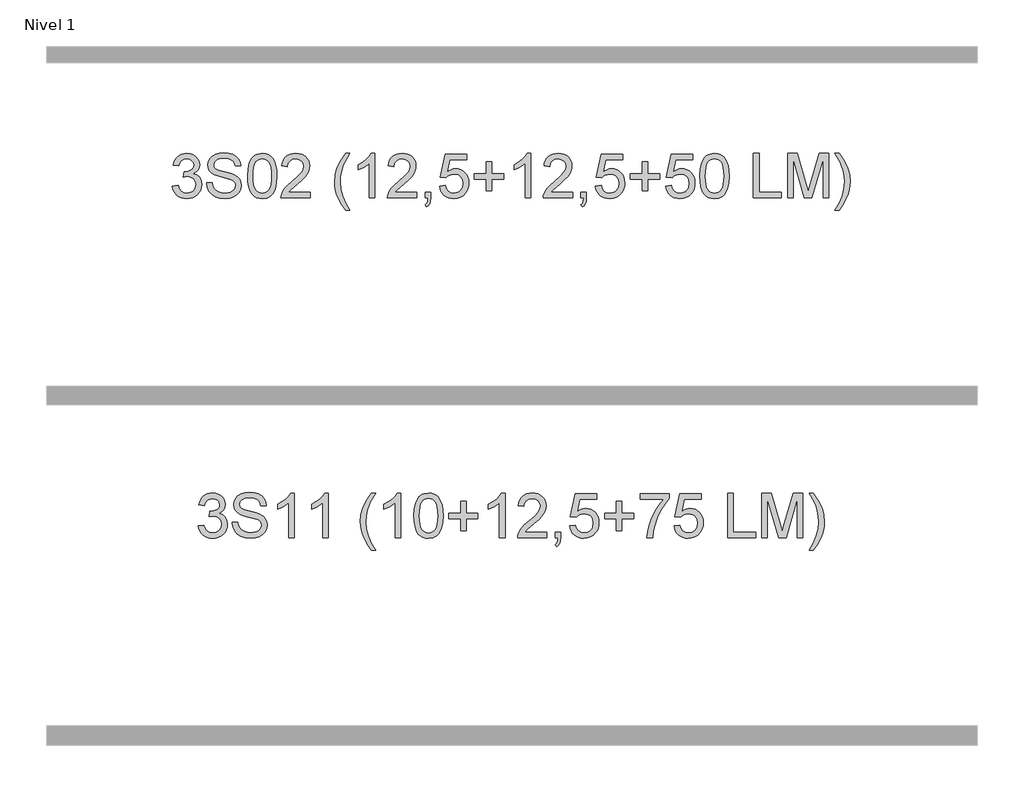
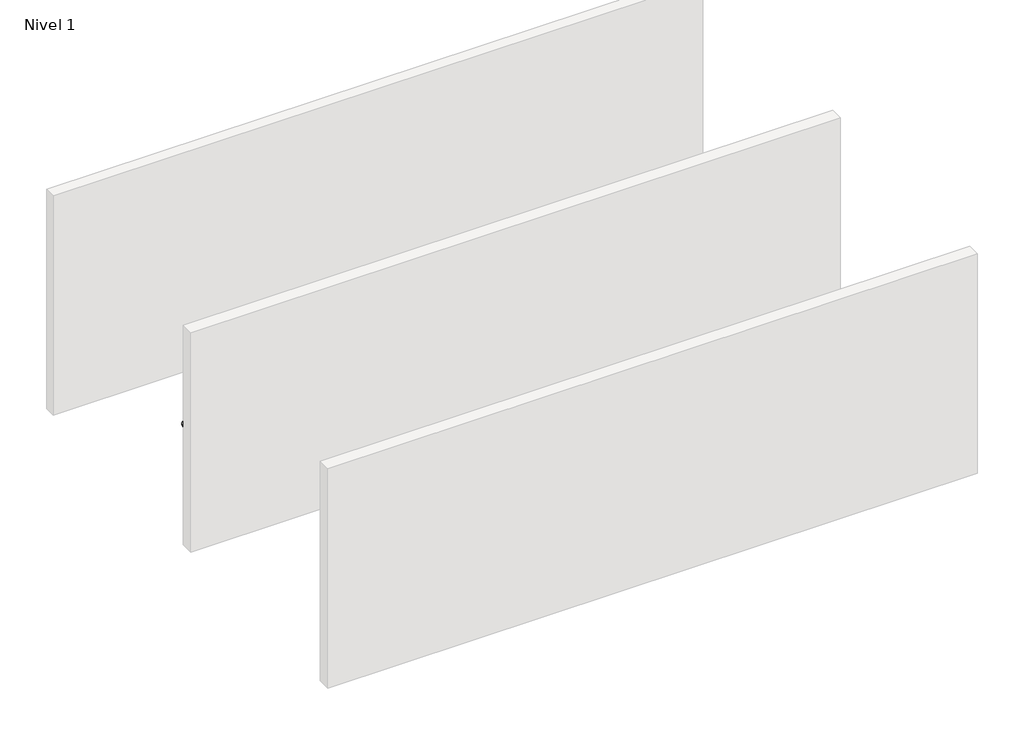
# One storey, part 4 of 13: 2 proxies.
"""IFC4 building model written with IfcOpenShell, lengths in millimetres."""

from ifc_helpers import new_model, si_unit, origin, origin_with_axes, place, context, project, spatial, polyline, outline, extrude, element, save

model = new_model("IFC4")

# Units and contexts
model_context = context("Model", 3, world=origin())
ifc_project = project(units=[si_unit("LENGTHUNIT", "METRE", prefix="MILLI")], contexts=[model_context])

# Site, building, storey
site = spatial("IfcSite", under=ifc_project)
building = spatial("IfcBuilding", under=site)
storey = spatial("IfcBuildingStorey", under=building, Name="Nivel 1", Elevation=0.0)

# Proxies
placement = place(None, origin())
element("IfcBuildingElementProxy", 1, Name="Texto de modelo 1", ObjectType="Texto de modelo 1", at=placement, inside=storey, context=model_context, shape_type="SweptSolid", body=[
    extrude(outline(polyline([(-25041.3354579, -10948.8446235), (-24991.1073028, -10942.5661041), (-24979.8623765, -10974.1303793), (-24963.3935258, -10995.4430095), (-24940.8914105, -11007.5831154), (-24911.54669, -11011.6298173), (-24877.1129352, -11006.0625364), (-24862.8391138, -10999.1034354), (-24850.5273297, -10989.3606939), (-24833.5311815, -10964.4428201), (-24827.8657988, -10934.2274455), (-24833.4821306, -10905.5449126), (-24850.331126, -10882.2825078), (-24875.837611, -10866.8682522), (-24907.4264116, -10861.730167), (-24942.6449813, -10867.2238715), (-24937.053175, -10816.9957164), (-24929.008822, -10817.5843276), (-24898.9160748, -10813.979084), (-24872.0116382, -10803.1633534), (-24860.9383902, -10794.9841103), (-24853.0289273, -10784.8673555), (-24848.2832496, -10772.8130888), (-24846.701357, -10758.8213102), (-24851.2876192, -10737.1285352), (-24865.0464058, -10719.5315131), (-24886.040205, -10707.8696539), (-24912.3315049, -10703.9823675), (-24938.6718558, -10707.9064421), (-24960.2052152, -10719.6786659), (-24975.9260391, -10739.299039), (-24984.8287834, -10766.7675613), (-25035.0569385, -10760.4890419), (-25029.1033815, -10736.5092672), (-25020.2680823, -10715.3867093), (-25008.5510408, -10697.1213683), (-24993.9522569, -10681.713244), (-24976.9315833, -10669.4811677), (-24957.9488723, -10660.7439703), (-24937.0041241, -10655.5016519), (-24914.0973385, -10653.7542124), (-24882.5208006, -10657.2000404), (-24853.5194366, -10667.5375245), (-24829.0675467, -10683.8469596), (-24811.1394308, -10705.2086408), (-24800.1397591, -10729.8199463), (-24796.4732019, -10755.8782543), (-24799.9558181, -10780.1584659), (-24810.4036668, -10802.1823347), (-24827.6695951, -10820.9443165), (-24851.6064502, -10835.4388671), (-24820.1648024, -10848.1430586), (-24796.8656094, -10869.77452), (-24782.4446351, -10899.1560286), (-24777.6376437, -10935.1103623), (-24780.0411394, -10960.5923218), (-24787.2516266, -10984.0631931), (-24799.2691051, -11005.5229762), (-24816.093575, -11024.971671), (-24836.5907335, -11041.1094278), (-24859.6262777, -11052.636397), (-24885.2002078, -11059.5525785), (-24913.3125236, -11061.8579724), (-24938.7209067, -11059.8898037), (-24961.8729469, -11053.9852977), (-24982.7686443, -11044.1444543), (-25001.4079987, -11030.3672736), (-25017.0368521, -11013.4630959), (-25028.9010465, -10994.2412617), (-25037.0005817, -10972.7017708), (-25041.3354579, -10948.8446235)])), origin_with_axes(), (0.0, 0.0, 1.0), 10.0),
    extrude(outline(polyline([(-24733.6880081, -10917.4520265), (-24683.459853, -10917.4520265), (-24677.6963684, -10945.325219), (-24667.2730452, -10967.7292325), (-24651.012661, -10985.5101956), (-24627.7379934, -10999.5142369), (-24599.2884525, -11008.6009222), (-24567.5034481, -11011.6298173), (-24539.519891, -11009.3366862), (-24515.0189501, -11002.4572929), (-24495.1655851, -10991.5679858), (-24481.1247556, -10977.2451135), (-24472.7738343, -10960.8007883), (-24469.9901939, -10943.5471227), (-24472.0748586, -10926.7349155), (-24478.3288525, -10912.2035767), (-24491.033044, -10899.8059535), (-24512.4683016, -10889.394893), (-24585.6032423, -10870.2159784), (-24633.6118426, -10857.5240495), (-24664.3299892, -10845.4452573), (-24689.3337022, -10828.547211), (-24707.0533516, -10808.0684466), (-24717.6115649, -10784.4504225), (-24721.1309693, -10758.1345972), (-24716.777699, -10728.7163003), (-24703.7178882, -10701.2845662), (-24682.2948933, -10678.0344241), (-24652.852071, -10661.1609032), (-24617.510874, -10650.8969956), (-24578.3927552, -10647.475693), (-24536.0127493, -10651.0564111), (-24498.9302442, -10661.7985654), (-24468.469615, -10679.4814266), (-24445.9552369, -10703.8842656), (-24431.7059409, -10733.4865035), (-24426.0405582, -10766.7675613), (-24476.2687133, -10766.7675613), (-24485.4902886, -10736.7974414), (-24493.8534727, -10724.9393785), (-24504.7182543, -10715.1659801), (-24534.7619505, -10702.0693811), (-24576.4307178, -10697.7038481), (-24619.0805038, -10702.0203302), (-24635.3838076, -10707.4159328), (-24648.3393852, -10714.9697764), (-24665.261957, -10734.0260637), (-24670.9028142, -10756.6630692), (-24666.9051632, -10775.9646112), (-24654.9122102, -10791.4892314), (-24626.5607711, -10805.3706453), (-24572.8990507, -10819.5463649), (-24517.5205477, -10833.0108459), (-24484.0187607, -10844.7585443), (-24455.3852787, -10862.9809658), (-24435.4092864, -10885.4708184), (-24423.6738507, -10911.9828475), (-24419.7620388, -10942.2717985), (-24424.2624619, -10973.2351997), (-24437.7637311, -11002.359191), (-24459.7140235, -11027.4242176), (-24489.5615161, -11046.2107248), (-24525.4545361, -11057.9461605), (-24565.5414108, -11061.8579724), (-24614.751759, -11057.6395922), (-24655.2555667, -11044.9844515), (-24687.5188177, -11023.8434995), (-24712.0074958, -10994.1676853), (-24727.7283197, -10958.0171479), (-24733.6880081, -10917.4520265)])), origin_with_axes(), (0.0, 0.0, 1.0), 10.0),
    extrude(outline(polyline([(-24363.2553644, -10857.9041943), (-24359.5642817, -10793.5861588), (-24348.4910336, -10742.2911459), (-24330.1459848, -10703.2343407), (-24318.2879218, -10688.0009605), (-24304.6394998, -10675.6309284), (-24289.1547335, -10666.0598651), (-24271.7876376, -10659.2233914), (-24231.4064573, -10653.7542124), (-24200.4553188, -10656.991574), (-24172.7415418, -10666.7036586), (-24149.5649761, -10682.5103217), (-24132.2254714, -10704.0314184), (-24119.1288724, -10731.0830078), (-24108.6810237, -10763.4811488), (-24101.8384186, -10804.6226186), (-24099.5575502, -10857.9041943), (-24103.2118447, -10921.8543477), (-24114.1747282, -10973.0267333), (-24132.4094124, -11012.1203266), (-24144.2398842, -11027.3996922), (-24157.8791092, -11039.8341036), (-24173.3822696, -11049.4695462), (-24190.8045478, -11056.3520052), (-24231.4064573, -11061.8579724), (-24259.0711833, -11059.4667394), (-24283.5966497, -11052.2930405), (-24304.9828563, -11040.3368757), (-24323.2298033, -11023.5982449), (-24340.7409863, -10993.3399508), (-24353.2489741, -10955.6381776), (-24360.7537668, -10910.4929255), (-24363.2553644, -10857.9041943)]), holes=[polyline([(-24313.0272093, -10857.8060924), (-24311.5556813, -10901.4706195), (-24307.1410974, -10936.8148822), (-24299.7834575, -10963.8388804), (-24289.4827616, -10982.5426142), (-24277.0238247, -10995.2682656), (-24263.1914617, -11004.3580165), (-24247.9856726, -11009.8118671), (-24231.4064573, -11011.6298173), (-24214.8272421, -11009.8057357), (-24199.6214529, -11004.3334911), (-24185.7890899, -10995.2130833), (-24173.330153, -10982.4445124), (-24163.0294571, -10963.7101217), (-24155.6718172, -10936.6922549), (-24151.2572333, -10901.3909118), (-24149.7857053, -10857.8060924), (-24151.2081824, -10815.2973278), (-24155.4756135, -10780.5753989), (-24162.5879987, -10753.6403055), (-24172.5453381, -10734.4920476), (-24184.7958085, -10721.1440625), (-24198.7875871, -10711.6097875), (-24214.5206737, -10705.8892225), (-24231.9950685, -10703.9823675), (-24248.4884446, -10705.6623619), (-24263.4367164, -10710.7023452), (-24276.8398837, -10719.1023175), (-24288.6979467, -10730.8622786), (-24299.3419991, -10751.708925), (-24306.9448936, -10779.8151094), (-24311.5066304, -10815.1808319), (-24313.0272093, -10857.8060924)])]), origin_with_axes(), (0.0, 0.0, 1.0), 10.0),
    extrude(outline(polyline([(-23798.1886198, -11005.3512979), (-23798.1886198, -11055.579453), (-24061.8864339, -11055.579453), (-24060.7827879, -11037.8965918), (-24056.4908313, -11020.9494945), (-24044.1054708, -10993.8856424), (-24025.9811512, -10967.6311307), (-23999.7634277, -10940.1503456), (-23963.0978555, -10909.4076736), (-23908.8965749, -10861.2641831), (-23876.3758065, -10825.7267824), (-23860.1154223, -10796.884834), (-23854.6952942, -10768.8277005), (-23859.808854, -10743.6768347), (-23875.1495332, -10722.7688747), (-23898.7307691, -10708.6789943), (-23928.5659989, -10703.9823675), (-23959.8972821, -10708.5686297), (-23984.2388075, -10722.3274163), (-23999.9473687, -10744.1796068), (-24005.3797595, -10773.0460807), (-24055.6079145, -10766.7675613), (-24051.2883668, -10740.838012), (-24043.4310205, -10718.1826125), (-24032.0358757, -10698.8013627), (-24017.1029324, -10682.6942627), (-23998.9755471, -10670.0329907), (-23977.9970763, -10660.989225), (-23954.1675201, -10655.5629655), (-23927.4868784, -10653.7542124), (-23900.5671134, -10655.7653006), (-23876.6087984, -10661.7985654), (-23855.6119336, -10671.8540066), (-23837.5765187, -10685.9316242), (-23823.0911652, -10702.9890861), (-23812.7444841, -10721.9840598), (-23806.5364754, -10742.9165453), (-23804.4671392, -10765.7865427), (-23806.6989566, -10789.8092369), (-23813.3944089, -10813.4149983), (-23825.2769974, -10837.4254299), (-23843.0702232, -10862.6621347), (-23871.433925, -10892.7916701), (-23915.0279415, -10931.4805933), (-23972.8099402, -10979.795762), (-23995.4714711, -11005.3512979), (-23798.1886198, -11005.3512979)])), origin_with_axes(), (0.0, 0.0, 1.0), 10.0),
    extrude(outline(polyline([(-23477.9841312, -11168.5928019), (-23516.9060463, -11113.9745884), (-23549.3041873, -11050.7724616), (-23562.0512984, -11016.7188516), (-23571.1563778, -10982.0521049), (-23576.6194255, -10946.7722216), (-23578.4404413, -10910.8792016), (-23572.9957878, -10848.4618897), (-23556.6618272, -10788.7423792), (-23524.2391607, -10721.101143), (-23477.9841312, -10653.7542124), (-23440.3130149, -10653.7542124), (-23487.3038084, -10733.3148252), (-23503.3434634, -10771.0840434), (-23515.5571456, -10810.4228914), (-23525.0485011, -10860.6755719), (-23528.2122863, -10911.1735072), (-23522.7185818, -10975.565119), (-23506.2374684, -11039.9322055), (-23478.7689461, -11104.2747664), (-23440.3130149, -11168.5928019), (-23477.9841312, -11168.5928019)])), origin_with_axes(), (0.0, 0.0, 1.0), 10.0),
    extrude(outline(polyline([(-23214.286317, -11055.579453), (-23264.5144721, -11055.579453), (-23264.5144721, -10742.4382987), (-23285.4837458, -10759.3976587), (-23312.0938768, -10776.3324932), (-23364.9707823, -10801.6918254), (-23364.9707823, -10754.2105225), (-23325.5215697, -10732.7507395), (-23291.3453323, -10707.219729), (-23264.4041075, -10680.0700378), (-23246.6599326, -10653.7542124), (-23214.286317, -10653.7542124), (-23214.286317, -11055.579453)])), origin_with_axes(), (0.0, 0.0, 1.0), 10.0),
    extrude(outline(polyline([(-22837.575154, -11005.3512979), (-22837.575154, -11055.579453), (-23101.2729681, -11055.579453), (-23100.1693221, -11037.8965918), (-23095.8773655, -11020.9494945), (-23083.492005, -10993.8856424), (-23065.3676854, -10967.6311307), (-23039.1499619, -10940.1503456), (-23002.4843897, -10909.4076736), (-22948.2831091, -10861.2641831), (-22915.7623407, -10825.7267824), (-22899.5019565, -10796.884834), (-22894.0818284, -10768.8277005), (-22899.1953882, -10743.6768347), (-22914.5360674, -10722.7688747), (-22938.1173033, -10708.6789943), (-22967.9525331, -10703.9823675), (-22999.2838163, -10708.5686297), (-23023.6253417, -10722.3274163), (-23039.3339029, -10744.1796068), (-23044.7662937, -10773.0460807), (-23094.9944487, -10766.7675613), (-23090.674901, -10740.838012), (-23082.8175547, -10718.1826125), (-23071.4224099, -10698.8013627), (-23056.4894666, -10682.6942627), (-23038.3620813, -10670.0329907), (-23017.3836105, -10660.989225), (-22993.5540543, -10655.5629655), (-22966.8734126, -10653.7542124), (-22939.9536476, -10655.7653006), (-22915.9953326, -10661.7985654), (-22894.9984677, -10671.8540066), (-22876.9630529, -10685.9316242), (-22862.4776994, -10702.9890861), (-22852.1310183, -10721.9840598), (-22845.9230096, -10742.9165453), (-22843.8536734, -10765.7865427), (-22846.0854908, -10789.8092369), (-22852.7809431, -10813.4149983), (-22864.6635316, -10837.4254299), (-22882.4567574, -10862.6621347), (-22910.8204592, -10892.7916701), (-22954.4144756, -10931.4805933), (-23012.1964744, -10979.795762), (-23034.8580053, -11005.3512979), (-22837.575154, -11005.3512979)])), origin_with_axes(), (0.0, 0.0, 1.0), 10.0),
    extrude(outline(polyline([(-22762.2329214, -11055.579453), (-22762.2329214, -11005.3512979), (-22712.0047663, -11005.3512979), (-22712.0047663, -11055.579453), (-22714.2611092, -11084.3110368), (-22721.0301379, -11106.9357795), (-22732.7042599, -11124.287547), (-22749.6758826, -11137.200205), (-22762.2329214, -11118.3646468), (-22751.3436143, -11109.2656988), (-22743.7897707, -11096.6841346), (-22739.2035085, -11079.246528), (-22737.2169457, -11055.579453), (-22762.2329214, -11055.579453)])), origin_with_axes(), (0.0, 0.0, 1.0), 10.0),
    extrude(outline(polyline([(-22630.3840143, -10948.8446235), (-22580.1558592, -10942.5661041), (-22570.9342839, -10972.7201649), (-22554.845578, -10994.3148381), (-22531.9633179, -11007.3010725), (-22502.36108, -11011.6298173), (-22483.2312162, -11010.1245668), (-22466.3576954, -11005.6088153), (-22451.7405174, -10998.0825628), (-22439.3796824, -10987.5458094), (-22429.5511018, -10974.519721), (-22422.530687, -10959.5254641), (-22416.9143552, -10923.6324441), (-22422.1750678, -10889.8363514), (-22428.7509584, -10875.9181493), (-22437.9572054, -10863.9865099), (-22449.8244654, -10854.4154467), (-22464.3833953, -10847.5789729), (-22501.5762651, -10842.1097939), (-22525.9423159, -10844.2925604), (-22545.6730535, -10850.8408599), (-22561.4306657, -10860.8717757), (-22573.8773398, -10873.5023908), (-22624.1054949, -10867.2238715), (-22580.1558592, -10660.0327318), (-22385.5217583, -10660.0327318), (-22385.5217583, -10710.2608869), (-22539.541687, -10710.2608869), (-22561.0259955, -10820.919791), (-22543.3002147, -10808.2155994), (-22525.1452382, -10799.1411769), (-22506.5610661, -10793.6965234), (-22487.5476983, -10791.8816388), (-22463.0866113, -10794.1318504), (-22440.6182185, -10800.882485), (-22420.1425197, -10812.1335427), (-22401.6595152, -10827.8850234), (-22386.3586898, -10847.1743027), (-22375.4295289, -10869.038756), (-22368.8720323, -10893.4783832), (-22366.6862002, -10920.4931844), (-22368.6543688, -10946.5147042), (-22374.5588749, -10970.7213394), (-22384.3997182, -10993.1130902), (-22398.1768989, -11013.6899565), (-22419.0480708, -11034.7634634), (-22443.4018589, -11049.8159684), (-22471.2382632, -11058.8474714), (-22502.5572837, -11061.8579724), (-22528.4776359, -11059.9235262), (-22551.8902593, -11054.1201877), (-22572.7951536, -11044.447957), (-22591.1923191, -11030.9068338), (-22606.4992758, -11014.1712688), (-22618.1335439, -10994.915712), (-22626.0951234, -10973.1401636), (-22630.3840143, -10948.8446235)])), origin_with_axes(), (0.0, 0.0, 1.0), 10.0),
    extrude(outline(polyline([(-22209.7232155, -10992.7942591), (-22209.7232155, -10886.0594296), (-22316.4580451, -10886.0594296), (-22316.4580451, -10835.8312745), (-22209.7232155, -10835.8312745), (-22209.7232155, -10729.096445), (-22159.4950605, -10729.096445), (-22159.4950605, -10835.8312745), (-22052.7602309, -10835.8312745), (-22052.7602309, -10886.0594296), (-22159.4950605, -10886.0594296), (-22159.4950605, -10992.7942591), (-22209.7232155, -10992.7942591)])), origin_with_axes(), (0.0, 0.0, 1.0), 10.0),
    extrude(outline(polyline([(-21807.8979749, -11055.579453), (-21858.12613, -11055.579453), (-21858.12613, -10742.4382987), (-21879.0954037, -10759.3976587), (-21905.7055347, -10776.3324932), (-21958.5824402, -10801.6918254), (-21958.5824402, -10754.2105225), (-21919.1332276, -10732.7507395), (-21884.9569902, -10707.219729), (-21858.0157654, -10680.0700378), (-21840.2715905, -10653.7542124), (-21807.8979749, -10653.7542124), (-21807.8979749, -11055.579453)])), origin_with_axes(), (0.0, 0.0, 1.0), 10.0),
    extrude(outline(polyline([(-21431.1868119, -11005.3512979), (-21431.1868119, -11055.579453), (-21694.884626, -11055.579453), (-21693.78098, -11037.8965918), (-21689.4890234, -11020.9494945), (-21677.1036629, -10993.8856424), (-21658.9793433, -10967.6311307), (-21632.7616198, -10940.1503456), (-21596.0960476, -10909.4076736), (-21541.894767, -10861.2641831), (-21509.3739986, -10825.7267824), (-21493.1136144, -10796.884834), (-21487.6934863, -10768.8277005), (-21492.8070461, -10743.6768347), (-21508.1477253, -10722.7688747), (-21531.7289612, -10708.6789943), (-21561.564191, -10703.9823675), (-21592.8954742, -10708.5686297), (-21617.2369996, -10722.3274163), (-21632.9455608, -10744.1796068), (-21638.3779516, -10773.0460807), (-21688.6061066, -10766.7675613), (-21684.2865589, -10740.838012), (-21676.4292126, -10718.1826125), (-21665.0340678, -10698.8013627), (-21650.1011245, -10682.6942627), (-21631.9737392, -10670.0329907), (-21610.9952684, -10660.989225), (-21587.1657122, -10655.5629655), (-21560.4850705, -10653.7542124), (-21533.5653055, -10655.7653006), (-21509.6069905, -10661.7985654), (-21488.6101257, -10671.8540066), (-21470.5747108, -10685.9316242), (-21456.0893573, -10702.9890861), (-21445.7426762, -10721.9840598), (-21439.5346675, -10742.9165453), (-21437.4653313, -10765.7865427), (-21439.6971487, -10789.8092369), (-21446.392601, -10813.4149983), (-21458.2751895, -10837.4254299), (-21476.0684153, -10862.6621347), (-21504.4321171, -10892.7916701), (-21548.0261336, -10931.4805933), (-21605.8081323, -10979.795762), (-21628.4696632, -11005.3512979), (-21431.1868119, -11005.3512979)])), origin_with_axes(), (0.0, 0.0, 1.0), 10.0),
    extrude(outline(polyline([(-21355.8445793, -11055.579453), (-21355.8445793, -11005.3512979), (-21305.6164242, -11005.3512979), (-21305.6164242, -11055.579453), (-21307.8727671, -11084.3110368), (-21314.6417958, -11106.9357795), (-21326.3159178, -11124.287547), (-21343.2875405, -11137.200205), (-21355.8445793, -11118.3646468), (-21344.9552722, -11109.2656988), (-21337.4014286, -11096.6841346), (-21332.8151664, -11079.246528), (-21330.8286036, -11055.579453), (-21355.8445793, -11055.579453)])), origin_with_axes(), (0.0, 0.0, 1.0), 10.0),
    extrude(outline(polyline([(-21223.9956722, -10948.8446235), (-21173.7675171, -10942.5661041), (-21164.5459418, -10972.7201649), (-21148.4572359, -10994.3148381), (-21125.5749758, -11007.3010725), (-21095.9727379, -11011.6298173), (-21076.8428741, -11010.1245668), (-21059.9693533, -11005.6088153), (-21045.3521753, -10998.0825628), (-21032.9913403, -10987.5458094), (-21023.1627597, -10974.519721), (-21016.1423449, -10959.5254641), (-21010.5260131, -10923.6324441), (-21015.7867257, -10889.8363514), (-21022.3626163, -10875.9181493), (-21031.5688633, -10863.9865099), (-21043.4361233, -10854.4154467), (-21057.9950532, -10847.5789729), (-21095.187923, -10842.1097939), (-21119.5539738, -10844.2925604), (-21139.2847114, -10850.8408599), (-21155.0423236, -10860.8717757), (-21167.4889977, -10873.5023908), (-21217.7171528, -10867.2238715), (-21173.7675171, -10660.0327318), (-20979.1334162, -10660.0327318), (-20979.1334162, -10710.2608869), (-21133.1533449, -10710.2608869), (-21154.6376534, -10820.919791), (-21136.9118726, -10808.2155994), (-21118.7568961, -10799.1411769), (-21100.172724, -10793.6965234), (-21081.1593562, -10791.8816388), (-21056.6982692, -10794.1318504), (-21034.2298764, -10800.882485), (-21013.7541776, -10812.1335427), (-20995.2711731, -10827.8850234), (-20979.9703478, -10847.1743027), (-20969.0411868, -10869.038756), (-20962.4836902, -10893.4783832), (-20960.2978581, -10920.4931844), (-20962.2660267, -10946.5147042), (-20968.1705328, -10970.7213394), (-20978.0113761, -10993.1130902), (-20991.7885568, -11013.6899565), (-21012.6597287, -11034.7634634), (-21037.0135168, -11049.8159684), (-21064.8499211, -11058.8474714), (-21096.1689416, -11061.8579724), (-21122.0892939, -11059.9235262), (-21145.5019172, -11054.1201877), (-21166.4068115, -11044.447957), (-21184.803977, -11030.9068338), (-21200.1109337, -11014.1712688), (-21211.7452018, -10994.915712), (-21219.7067813, -10973.1401636), (-21223.9956722, -10948.8446235)])), origin_with_axes(), (0.0, 0.0, 1.0), 10.0),
    extrude(outline(polyline([(-20803.3348735, -10992.7942591), (-20803.3348735, -10886.0594296), (-20910.069703, -10886.0594296), (-20910.069703, -10835.8312745), (-20803.3348735, -10835.8312745), (-20803.3348735, -10729.096445), (-20753.1067184, -10729.096445), (-20753.1067184, -10835.8312745), (-20646.3718888, -10835.8312745), (-20646.3718888, -10886.0594296), (-20753.1067184, -10886.0594296), (-20753.1067184, -10992.7942591), (-20803.3348735, -10992.7942591)])), origin_with_axes(), (0.0, 0.0, 1.0), 10.0),
    extrude(outline(polyline([(-20589.8652144, -10948.8446235), (-20539.6370593, -10942.5661041), (-20530.415484, -10972.7201649), (-20514.326778, -10994.3148381), (-20491.4445179, -11007.3010725), (-20461.8422801, -11011.6298173), (-20442.7124163, -11010.1245668), (-20425.8388955, -11005.6088153), (-20411.2217175, -10998.0825628), (-20398.8608825, -10987.5458094), (-20389.0323018, -10974.519721), (-20382.0118871, -10959.5254641), (-20376.3955553, -10923.6324441), (-20381.6562678, -10889.8363514), (-20388.2321585, -10875.9181493), (-20397.4384054, -10863.9865099), (-20409.3056655, -10854.4154467), (-20423.8645954, -10847.5789729), (-20461.0574651, -10842.1097939), (-20485.423516, -10844.2925604), (-20505.1542536, -10850.8408599), (-20520.9118658, -10860.8717757), (-20533.3585399, -10873.5023908), (-20583.586695, -10867.2238715), (-20539.6370593, -10660.0327318), (-20345.0029584, -10660.0327318), (-20345.0029584, -10710.2608869), (-20499.022887, -10710.2608869), (-20520.5071956, -10820.919791), (-20502.7814148, -10808.2155994), (-20484.6264383, -10799.1411769), (-20466.0422662, -10793.6965234), (-20447.0288984, -10791.8816388), (-20422.5678114, -10794.1318504), (-20400.0994185, -10800.882485), (-20379.6237198, -10812.1335427), (-20361.1407152, -10827.8850234), (-20345.8398899, -10847.1743027), (-20334.910729, -10869.038756), (-20328.3532324, -10893.4783832), (-20326.1674002, -10920.4931844), (-20328.1355689, -10946.5147042), (-20334.0400749, -10970.7213394), (-20343.8809183, -10993.1130902), (-20357.658099, -11013.6899565), (-20378.5292709, -11034.7634634), (-20402.883059, -11049.8159684), (-20430.7194633, -11058.8474714), (-20462.0384838, -11061.8579724), (-20487.958836, -11059.9235262), (-20511.3714593, -11054.1201877), (-20532.2763537, -11044.447957), (-20550.6735192, -11030.9068338), (-20565.9804758, -11014.1712688), (-20577.6147439, -10994.915712), (-20585.5763235, -10973.1401636), (-20589.8652144, -10948.8446235)])), origin_with_axes(), (0.0, 0.0, 1.0), 10.0),
    extrude(outline(polyline([(-20282.2177646, -10857.9041943), (-20278.5266819, -10793.5861588), (-20267.4534338, -10742.2911459), (-20249.108385, -10703.2343407), (-20237.250322, -10688.0009605), (-20223.6019, -10675.6309284), (-20208.1171337, -10666.0598651), (-20190.7500378, -10659.2233914), (-20150.3688575, -10653.7542124), (-20119.417719, -10656.991574), (-20091.703942, -10666.7036586), (-20068.5273763, -10682.5103217), (-20051.1878716, -10704.0314184), (-20038.0912726, -10731.0830078), (-20027.6434239, -10763.4811488), (-20020.8008188, -10804.6226186), (-20018.5199504, -10857.9041943), (-20022.1742449, -10921.8543477), (-20033.1371283, -10973.0267333), (-20051.3718126, -11012.1203266), (-20063.2022844, -11027.3996922), (-20076.8415094, -11039.8341036), (-20092.3446698, -11049.4695462), (-20109.7669479, -11056.3520052), (-20150.3688575, -11061.8579724), (-20178.0335835, -11059.4667394), (-20202.5590499, -11052.2930405), (-20223.9452565, -11040.3368757), (-20242.1922035, -11023.5982449), (-20259.7033864, -10993.3399508), (-20272.2113743, -10955.6381776), (-20279.716167, -10910.4929255), (-20282.2177646, -10857.9041943)]), holes=[polyline([(-20231.9896095, -10857.8060924), (-20230.5180815, -10901.4706195), (-20226.1034976, -10936.8148822), (-20218.7458576, -10963.8388804), (-20208.4451618, -10982.5426142), (-20195.9862249, -10995.2682656), (-20182.1538619, -11004.3580165), (-20166.9480727, -11009.8118671), (-20150.3688575, -11011.6298173), (-20133.7896422, -11009.8057357), (-20118.5838531, -11004.3334911), (-20104.7514901, -10995.2130833), (-20092.2925532, -10982.4445124), (-20081.9918573, -10963.7101217), (-20074.6342174, -10936.6922549), (-20070.2196335, -10901.3909118), (-20068.7481055, -10857.8060924), (-20070.1705825, -10815.2973278), (-20074.4380137, -10780.5753989), (-20081.5503989, -10753.6403055), (-20091.5077383, -10734.4920476), (-20103.7582087, -10721.1440625), (-20117.7499872, -10711.6097875), (-20133.4830739, -10705.8892225), (-20150.9574687, -10703.9823675), (-20167.4508448, -10705.6623619), (-20182.3991165, -10710.7023452), (-20195.8022839, -10719.1023175), (-20207.6603469, -10730.8622786), (-20218.3043993, -10751.708925), (-20225.9072938, -10779.8151094), (-20230.4690306, -10815.1808319), (-20231.9896095, -10857.8060924)])]), origin_with_axes(), (0.0, 0.0, 1.0), 10.0),
    extrude(outline(polyline([(-19798.771772, -11055.579453), (-19798.771772, -10653.7542124), (-19748.5436169, -10653.7542124), (-19748.5436169, -11005.3512979), (-19547.6309966, -11005.3512979), (-19547.6309966, -11055.579453), (-19798.771772, -11055.579453)])), origin_with_axes(), (0.0, 0.0, 1.0), 10.0),
    extrude(outline(polyline([(-19491.1243221, -11055.579453), (-19491.1243221, -10653.7542124), (-19404.6965787, -10653.7542124), (-19322.4872155, -10936.9742977), (-19305.9080003, -10996.1297226), (-19287.9553589, -10932.0692045), (-19207.1194218, -10653.7542124), (-19120.6916784, -10653.7542124), (-19120.6916784, -11055.579453), (-19170.9198335, -11055.579453), (-19170.9198335, -10703.9823675), (-19271.866653, -11055.579453), (-19339.9493476, -11055.579453), (-19440.896167, -10703.9823675), (-19440.896167, -11055.579453), (-19491.1243221, -11055.579453)])), origin_with_axes(), (0.0, 0.0, 1.0), 10.0),
    extrude(outline(polyline([(-19026.5138877, -11168.5928019), (-19064.185004, -11168.5928019), (-19025.7290728, -11104.2747664), (-18998.2605505, -11039.9322055), (-18981.7794371, -10975.565119), (-18976.2857326, -10911.1735072), (-18979.4495178, -10861.0434539), (-18988.9408732, -10811.3058082), (-19000.9338263, -10771.8933838), (-19016.8999049, -10734.0996401), (-19064.185004, -10653.7542124), (-19026.5138877, -10653.7542124), (-18980.2588582, -10721.101143), (-18947.8361916, -10788.7423792), (-18931.5022311, -10848.4618897), (-18926.0575775, -10910.8792016), (-18927.8877905, -10946.7722216), (-18933.3784292, -10982.0521049), (-18942.5294939, -11016.7188516), (-18955.3409843, -11050.7724616), (-18987.7759136, -11113.9745884), (-19026.5138877, -11168.5928019)])), origin_with_axes(), (0.0, 0.0, 1.0), 10.0),
])
element("IfcBuildingElementProxy", 2, Name="Texto de modelo 1", ObjectType="Texto de modelo 1", at=placement, inside=storey, context=model_context, shape_type="SweptSolid", body=[
    extrude(outline(polyline([(-24809.0302407, -14013.8446235), (-24758.8020856, -14007.5661041), (-24747.5571593, -14039.1303793), (-24731.0883086, -14060.4430095), (-24708.5861933, -14072.5831154), (-24679.2414728, -14076.6298173), (-24644.807718, -14071.0625364), (-24630.5338966, -14064.1034354), (-24618.2221125, -14054.3606939), (-24601.2259643, -14029.4428201), (-24595.5605816, -13999.2274455), (-24601.1769134, -13970.5449126), (-24618.0259088, -13947.2825078), (-24643.5323938, -13931.8682522), (-24675.1211944, -13926.730167), (-24710.3397641, -13932.2238715), (-24704.7479578, -13881.9957164), (-24696.7036048, -13882.5843276), (-24666.6108576, -13878.979084), (-24639.706421, -13868.1633534), (-24628.633173, -13859.9841103), (-24620.7237101, -13849.8673555), (-24615.9780323, -13837.8130888), (-24614.3961398, -13823.8213102), (-24618.982402, -13802.1285352), (-24632.7411886, -13784.5315131), (-24653.7349878, -13772.8696539), (-24680.0262877, -13768.9823675), (-24706.3666385, -13772.9064421), (-24727.899998, -13784.6786659), (-24743.6208219, -13804.299039), (-24752.5235662, -13831.7675613), (-24802.7517213, -13825.4890419), (-24796.7981643, -13801.5092672), (-24787.9628651, -13780.3867093), (-24776.2458235, -13762.1213683), (-24761.6470397, -13746.713244), (-24744.626366, -13734.4811677), (-24725.6436551, -13725.7439703), (-24704.6989068, -13720.5016519), (-24681.7921213, -13718.7542124), (-24650.2155833, -13722.2000404), (-24621.2142194, -13732.5375245), (-24596.7623294, -13748.8469596), (-24578.8342136, -13770.2086408), (-24567.8345419, -13794.8199463), (-24564.1679847, -13820.8782543), (-24567.6506009, -13845.1584659), (-24578.0984496, -13867.1823347), (-24595.3643779, -13885.9443165), (-24619.301233, -13900.4388671), (-24587.8595852, -13913.1430586), (-24564.5603921, -13934.77452), (-24550.1394179, -13964.1560286), (-24545.3324265, -14000.1103623), (-24547.7359222, -14025.5923218), (-24554.9464093, -14049.0631931), (-24566.9638878, -14070.5229762), (-24583.7883578, -14089.971671), (-24604.2855163, -14106.1094278), (-24627.3210605, -14117.636397), (-24652.8949905, -14124.5525785), (-24681.0073063, -14126.8579724), (-24706.4156895, -14124.8898037), (-24729.5677297, -14118.9852977), (-24750.463427, -14109.1444543), (-24769.1027815, -14095.3672736), (-24784.7316349, -14078.4630959), (-24796.5958292, -14059.2412617), (-24804.6953645, -14037.7017708), (-24809.0302407, -14013.8446235)])), origin_with_axes(), (0.0, 0.0, 1.0), 10.0),
    extrude(outline(polyline([(-24501.3827908, -13982.4520265), (-24451.1546358, -13982.4520265), (-24445.3911512, -14010.325219), (-24434.967828, -14032.7292325), (-24418.7074438, -14050.5101956), (-24395.4327762, -14064.5142369), (-24366.9832353, -14073.6009222), (-24335.1982309, -14076.6298173), (-24307.2146738, -14074.3366862), (-24282.7137329, -14067.4572929), (-24262.8603679, -14056.5679858), (-24248.8195384, -14042.2451135), (-24240.4686171, -14025.8007883), (-24237.6849767, -14008.5471227), (-24239.7696413, -13991.7349155), (-24246.0236352, -13977.2035767), (-24258.7278268, -13964.8059535), (-24280.1630844, -13954.394893), (-24353.298025, -13935.2159784), (-24401.3066254, -13922.5240495), (-24432.024772, -13910.4452573), (-24457.0284849, -13893.547211), (-24474.7481344, -13873.0684466), (-24485.3063476, -13849.4504225), (-24488.8257521, -13823.1345972), (-24484.4724818, -13793.7163003), (-24471.412671, -13766.2845662), (-24449.9896761, -13743.0344241), (-24420.5468538, -13726.1609032), (-24385.2056568, -13715.8969956), (-24346.0875379, -13712.475693), (-24303.7075321, -13716.0564111), (-24266.625027, -13726.7985654), (-24236.1643978, -13744.4814266), (-24213.6500197, -13768.8842656), (-24199.4007237, -13798.4865035), (-24193.735341, -13831.7675613), (-24243.9634961, -13831.7675613), (-24253.1850714, -13801.7974414), (-24261.5482554, -13789.9393785), (-24272.413037, -13780.1659801), (-24302.4567333, -13767.0693811), (-24344.1255006, -13762.7038481), (-24386.7752866, -13767.0203302), (-24403.0785904, -13772.4159328), (-24416.034168, -13779.9697764), (-24432.9567397, -13799.0260637), (-24438.597597, -13821.6630692), (-24434.599946, -13840.9646112), (-24422.6069929, -13856.4892314), (-24394.2555538, -13870.3706453), (-24340.5938335, -13884.5463649), (-24285.2153305, -13898.0108459), (-24251.7135434, -13909.7585443), (-24223.0800615, -13927.9809658), (-24203.1040691, -13950.4708184), (-24191.3686335, -13976.9828475), (-24187.4568216, -14007.2717985), (-24191.9572447, -14038.2351997), (-24205.4585139, -14067.359191), (-24227.4088063, -14092.4242176), (-24257.2562988, -14111.2107248), (-24293.1493188, -14122.9461605), (-24333.2361936, -14126.8579724), (-24382.4465418, -14122.6395922), (-24422.9503495, -14109.9844515), (-24455.2136004, -14088.8434995), (-24479.7022786, -14059.1676853), (-24495.4231025, -14023.0171479), (-24501.3827908, -13982.4520265)])), origin_with_axes(), (0.0, 0.0, 1.0), 10.0),
    extrude(outline(polyline([(-23942.5945656, -14120.579453), (-23992.8227207, -14120.579453), (-23992.8227207, -13807.4382987), (-24013.7919944, -13824.3976587), (-24040.4021254, -13841.3324932), (-24093.2790309, -13866.6918254), (-24093.2790309, -13819.2105225), (-24053.8298182, -13797.7507395), (-24019.6535809, -13772.219729), (-23992.7123561, -13745.0700378), (-23974.9681812, -13718.7542124), (-23942.5945656, -13718.7542124), (-23942.5945656, -14120.579453)])), origin_with_axes(), (0.0, 0.0, 1.0), 10.0),
    extrude(outline(polyline([(-23634.9471158, -14120.579453), (-23685.1752709, -14120.579453), (-23685.1752709, -13807.4382987), (-23706.1445446, -13824.3976587), (-23732.7546756, -13841.3324932), (-23785.631581, -13866.6918254), (-23785.631581, -13819.2105225), (-23746.1823684, -13797.7507395), (-23712.006131, -13772.219729), (-23685.0649063, -13745.0700378), (-23667.3207314, -13718.7542124), (-23634.9471158, -13718.7542124), (-23634.9471158, -14120.579453)])), origin_with_axes(), (0.0, 0.0, 1.0), 10.0),
    extrude(outline(polyline([(-23245.678914, -14233.5928019), (-23284.6008291, -14178.9745884), (-23316.9989701, -14115.7724616), (-23329.7460812, -14081.7188516), (-23338.8511606, -14047.0521049), (-23344.3142082, -14011.7722216), (-23346.1352241, -13975.8792016), (-23340.6905706, -13913.4618897), (-23324.35661, -13853.7423792), (-23291.9339435, -13786.101143), (-23245.678914, -13718.7542124), (-23208.0077977, -13718.7542124), (-23254.9985912, -13798.3148252), (-23271.0382462, -13836.0840434), (-23283.2519284, -13875.4228914), (-23292.7432839, -13925.6755719), (-23295.907069, -13976.1735072), (-23290.4133646, -14040.565119), (-23273.9322512, -14104.9322055), (-23246.4637289, -14169.2747664), (-23208.0077977, -14233.5928019), (-23245.678914, -14233.5928019)])), origin_with_axes(), (0.0, 0.0, 1.0), 10.0),
    extrude(outline(polyline([(-22981.9810998, -14120.579453), (-23032.2092549, -14120.579453), (-23032.2092549, -13807.4382987), (-23053.1785286, -13824.3976587), (-23079.7886596, -13841.3324932), (-23132.665565, -13866.6918254), (-23132.665565, -13819.2105225), (-23093.2163524, -13797.7507395), (-23059.0401151, -13772.219729), (-23032.0988903, -13745.0700378), (-23014.3547154, -13718.7542124), (-22981.9810998, -13718.7542124), (-22981.9810998, -14120.579453)])), origin_with_axes(), (0.0, 0.0, 1.0), 10.0),
    extrude(outline(polyline([(-22862.6892315, -13922.9041943), (-22858.9981488, -13858.5861588), (-22847.9249008, -13807.2911459), (-22829.579852, -13768.2343407), (-22817.721789, -13753.0009605), (-22804.073367, -13740.6309284), (-22788.5886006, -13731.0598651), (-22771.2215048, -13724.2233914), (-22730.8403244, -13718.7542124), (-22699.8891859, -13721.991574), (-22672.1754089, -13731.7036586), (-22648.9988433, -13747.5103217), (-22631.6593385, -13769.0314184), (-22618.5627395, -13796.0830078), (-22608.1148909, -13828.4811488), (-22601.2722857, -13869.6226186), (-22598.9914174, -13922.9041943), (-22602.6457119, -13986.8543477), (-22613.6085953, -14038.0267333), (-22631.8432795, -14077.1203266), (-22643.6737514, -14092.3996922), (-22657.3129763, -14104.8341036), (-22672.8161368, -14114.4695462), (-22690.2384149, -14121.3520052), (-22730.8403244, -14126.8579724), (-22758.5050505, -14124.4667394), (-22783.0305168, -14117.2930405), (-22804.4167235, -14105.3368757), (-22822.6636704, -14088.5982449), (-22840.1748534, -14058.3399508), (-22852.6828412, -14020.6381776), (-22860.187634, -13975.4929255), (-22862.6892315, -13922.9041943)]), holes=[polyline([(-22812.4610764, -13922.8060924), (-22810.9895485, -13966.4706195), (-22806.5749645, -14001.8148822), (-22799.2173246, -14028.8388804), (-22788.9166288, -14047.5426142), (-22776.4576918, -14060.2682656), (-22762.6253288, -14069.3580165), (-22747.4195397, -14074.8118671), (-22730.8403244, -14076.6298173), (-22714.2611092, -14074.8057357), (-22699.0553201, -14069.3334911), (-22685.222957, -14060.2130833), (-22672.7640201, -14047.4445124), (-22662.4633243, -14028.7101217), (-22655.1056844, -14001.6922549), (-22650.6911004, -13966.3909118), (-22649.2195725, -13922.8060924), (-22650.6420495, -13880.2973278), (-22654.9094806, -13845.5753989), (-22662.0218659, -13818.6403055), (-22671.9792052, -13799.4920476), (-22684.2296757, -13786.1440625), (-22698.2214542, -13776.6097875), (-22713.9545409, -13770.8892225), (-22731.4289356, -13768.9823675), (-22747.9223118, -13770.6623619), (-22762.8705835, -13775.7023452), (-22776.2737509, -13784.1023175), (-22788.1318138, -13795.8622786), (-22798.7758662, -13816.708925), (-22806.3787608, -13844.8151094), (-22810.9404975, -13880.1808319), (-22812.4610764, -13922.8060924)])]), origin_with_axes(), (0.0, 0.0, 1.0), 10.0),
    extrude(outline(polyline([(-22442.0284328, -14057.7942591), (-22442.0284328, -13951.0594296), (-22548.7632623, -13951.0594296), (-22548.7632623, -13900.8312745), (-22442.0284328, -13900.8312745), (-22442.0284328, -13794.096445), (-22391.8002777, -13794.096445), (-22391.8002777, -13900.8312745), (-22285.0654482, -13900.8312745), (-22285.0654482, -13951.0594296), (-22391.8002777, -13951.0594296), (-22391.8002777, -14057.7942591), (-22442.0284328, -14057.7942591)])), origin_with_axes(), (0.0, 0.0, 1.0), 10.0),
    extrude(outline(polyline([(-22040.2031922, -14120.579453), (-22090.4313472, -14120.579453), (-22090.4313472, -13807.4382987), (-22111.400621, -13824.3976587), (-22138.010752, -13841.3324932), (-22190.8876574, -13866.6918254), (-22190.8876574, -13819.2105225), (-22151.4384448, -13797.7507395), (-22117.2622074, -13772.219729), (-22090.3209826, -13745.0700378), (-22072.5768077, -13718.7542124), (-22040.2031922, -13718.7542124), (-22040.2031922, -14120.579453)])), origin_with_axes(), (0.0, 0.0, 1.0), 10.0),
    extrude(outline(polyline([(-21663.4920291, -14070.3512979), (-21663.4920291, -14120.579453), (-21927.1898432, -14120.579453), (-21926.0861973, -14102.8965918), (-21921.7942407, -14085.9494945), (-21909.4088801, -14058.8856424), (-21891.2845605, -14032.6311307), (-21865.066837, -14005.1503456), (-21828.4012648, -13974.4076736), (-21774.1999842, -13926.2641831), (-21741.6792158, -13890.7267824), (-21725.4188316, -13861.884834), (-21719.9987036, -13833.8277005), (-21725.1122633, -13808.6768347), (-21740.4529425, -13787.7688747), (-21764.0341784, -13773.6789943), (-21793.8694082, -13768.9823675), (-21825.2006915, -13773.5686297), (-21849.5422168, -13787.3274163), (-21865.250778, -13809.1796068), (-21870.6831688, -13838.0460807), (-21920.9113239, -13831.7675613), (-21916.5917761, -13805.838012), (-21908.7344298, -13783.1826125), (-21897.339285, -13763.8013627), (-21882.4063417, -13747.6942627), (-21864.2789564, -13735.0329907), (-21843.3004856, -13725.989225), (-21819.4709294, -13720.5629655), (-21792.7902877, -13718.7542124), (-21765.8705227, -13720.7653006), (-21741.9122077, -13726.7985654), (-21720.9153429, -13736.8540066), (-21702.8799281, -13750.9316242), (-21688.3945745, -13767.9890861), (-21678.0478934, -13786.9840598), (-21671.8398847, -13807.9165453), (-21669.7705485, -13830.7865427), (-21672.0023659, -13854.8092369), (-21678.6978182, -13878.4149983), (-21690.5804067, -13902.4254299), (-21708.3736325, -13927.6621347), (-21736.7373343, -13957.7916701), (-21780.3313508, -13996.4805933), (-21838.1133495, -14044.795762), (-21860.7748804, -14070.3512979), (-21663.4920291, -14070.3512979)])), origin_with_axes(), (0.0, 0.0, 1.0), 10.0),
    extrude(outline(polyline([(-21588.1497965, -14120.579453), (-21588.1497965, -14070.3512979), (-21537.9216414, -14070.3512979), (-21537.9216414, -14120.579453), (-21540.1779843, -14149.3110368), (-21546.947013, -14171.9357795), (-21558.621135, -14189.287547), (-21575.5927577, -14202.200205), (-21588.1497965, -14183.3646468), (-21577.2604894, -14174.2656988), (-21569.7066458, -14161.6841346), (-21565.1203836, -14144.246528), (-21563.1338208, -14120.579453), (-21588.1497965, -14120.579453)])), origin_with_axes(), (0.0, 0.0, 1.0), 10.0),
    extrude(outline(polyline([(-21456.3008894, -14013.8446235), (-21406.0727343, -14007.5661041), (-21396.851159, -14037.7201649), (-21380.7624531, -14059.3148381), (-21357.880193, -14072.3010725), (-21328.2779551, -14076.6298173), (-21309.1480914, -14075.1245668), (-21292.2745705, -14070.6088153), (-21277.6573926, -14063.0825628), (-21265.2965575, -14052.5458094), (-21255.4679769, -14039.519721), (-21248.4475621, -14024.5254641), (-21242.8312304, -13988.6324441), (-21248.0919429, -13954.8363514), (-21254.6678336, -13940.9181493), (-21263.8740805, -13928.9865099), (-21275.7413405, -13919.4154467), (-21290.3002705, -13912.5789729), (-21327.4931402, -13907.1097939), (-21351.859191, -13909.2925604), (-21371.5899287, -13915.8408599), (-21387.3475408, -13925.8717757), (-21399.794215, -13938.5023908), (-21450.02237, -13932.2238715), (-21406.0727343, -13725.0327318), (-21211.4386334, -13725.0327318), (-21211.4386334, -13775.2608869), (-21365.4585621, -13775.2608869), (-21386.9428706, -13885.919791), (-21369.2170898, -13873.2155994), (-21351.0621133, -13864.1411769), (-21332.4779412, -13858.6965234), (-21313.4645734, -13856.8816388), (-21289.0034864, -13859.1318504), (-21266.5350936, -13865.882485), (-21246.0593949, -13877.1335427), (-21227.5763903, -13892.8850234), (-21212.275565, -13912.1743027), (-21201.346404, -13934.038756), (-21194.7889075, -13958.4783832), (-21192.6030753, -13985.4931844), (-21194.571244, -14011.5147042), (-21200.47575, -14035.7213394), (-21210.3165933, -14058.1130902), (-21224.0937741, -14078.6899565), (-21244.9649459, -14099.7634634), (-21269.318734, -14114.8159684), (-21297.1551383, -14123.8474714), (-21328.4741588, -14126.8579724), (-21354.3945111, -14124.9235262), (-21377.8071344, -14119.1201877), (-21398.7120288, -14109.447957), (-21417.1091942, -14095.9068338), (-21432.4161509, -14079.1712688), (-21444.050419, -14059.915712), (-21452.0119985, -14038.1401636), (-21456.3008894, -14013.8446235)])), origin_with_axes(), (0.0, 0.0, 1.0), 10.0),
    extrude(outline(polyline([(-21035.6400907, -14057.7942591), (-21035.6400907, -13951.0594296), (-21142.3749202, -13951.0594296), (-21142.3749202, -13900.8312745), (-21035.6400907, -13900.8312745), (-21035.6400907, -13794.096445), (-20985.4119356, -13794.096445), (-20985.4119356, -13900.8312745), (-20878.6771061, -13900.8312745), (-20878.6771061, -13951.0594296), (-20985.4119356, -13951.0594296), (-20985.4119356, -14057.7942591), (-21035.6400907, -14057.7942591)])), origin_with_axes(), (0.0, 0.0, 1.0), 10.0),
    extrude(outline(polyline([(-20822.1704316, -13775.2608869), (-20822.1704316, -13725.0327318), (-20558.4726175, -13725.0327318), (-20558.4726175, -13765.646904), (-20596.0578946, -13813.214046), (-20633.2752898, -13873.7061088), (-20666.1026265, -13941.6048623), (-20690.5177283, -14011.3920768), (-20702.4861558, -14063.6067947), (-20709.1570827, -14120.579453), (-20759.3852378, -14120.579453), (-20753.952847, -14068.8061935), (-20739.4215082, -14007.2717985), (-20716.1836288, -13942.0463207), (-20684.6316163, -13879.1998132), (-20647.7943659, -13822.3865704), (-20608.7007725, -13775.2608869), (-20822.1704316, -13775.2608869)])), origin_with_axes(), (0.0, 0.0, 1.0), 10.0),
    extrude(outline(polyline([(-20514.5229818, -14013.8446235), (-20464.2948267, -14007.5661041), (-20455.0732514, -14037.7201649), (-20438.9845454, -14059.3148381), (-20416.1022853, -14072.3010725), (-20386.5000474, -14076.6298173), (-20367.3701837, -14075.1245668), (-20350.4966629, -14070.6088153), (-20335.8794849, -14063.0825628), (-20323.5186499, -14052.5458094), (-20313.6900692, -14039.519721), (-20306.6696545, -14024.5254641), (-20301.0533227, -13988.6324441), (-20306.3140352, -13954.8363514), (-20312.8899259, -13940.9181493), (-20322.0961728, -13928.9865099), (-20333.9634329, -13919.4154467), (-20348.5223628, -13912.5789729), (-20385.7152325, -13907.1097939), (-20410.0812833, -13909.2925604), (-20429.812021, -13915.8408599), (-20445.5696331, -13925.8717757), (-20458.0163073, -13938.5023908), (-20508.2444624, -13932.2238715), (-20464.2948267, -13725.0327318), (-20269.6607258, -13725.0327318), (-20269.6607258, -13775.2608869), (-20423.6806544, -13775.2608869), (-20445.1649629, -13885.919791), (-20427.4391821, -13873.2155994), (-20409.2842057, -13864.1411769), (-20390.7000336, -13858.6965234), (-20371.6866658, -13856.8816388), (-20347.2255788, -13859.1318504), (-20324.7571859, -13865.882485), (-20304.2814872, -13877.1335427), (-20285.7984826, -13892.8850234), (-20270.4976573, -13912.1743027), (-20259.5684964, -13934.038756), (-20253.0109998, -13958.4783832), (-20250.8251676, -13985.4931844), (-20252.7933363, -14011.5147042), (-20258.6978423, -14035.7213394), (-20268.5386857, -14058.1130902), (-20282.3158664, -14078.6899565), (-20303.1870383, -14099.7634634), (-20327.5408264, -14114.8159684), (-20355.3772307, -14123.8474714), (-20386.6962512, -14126.8579724), (-20412.6166034, -14124.9235262), (-20436.0292267, -14119.1201877), (-20456.9341211, -14109.447957), (-20475.3312866, -14095.9068338), (-20490.6382432, -14079.1712688), (-20502.2725113, -14059.915712), (-20510.2340908, -14038.1401636), (-20514.5229818, -14013.8446235)])), origin_with_axes(), (0.0, 0.0, 1.0), 10.0),
    extrude(outline(polyline([(-20031.0769892, -14120.579453), (-20031.0769892, -13718.7542124), (-19980.8488341, -13718.7542124), (-19980.8488341, -14070.3512979), (-19779.9362138, -14070.3512979), (-19779.9362138, -14120.579453), (-20031.0769892, -14120.579453)])), origin_with_axes(), (0.0, 0.0, 1.0), 10.0),
    extrude(outline(polyline([(-19723.4295393, -14120.579453), (-19723.4295393, -13718.7542124), (-19637.0017959, -13718.7542124), (-19554.7924328, -14001.9742977), (-19538.2132175, -14061.1297226), (-19520.2605761, -13997.0692045), (-19439.4246391, -13718.7542124), (-19352.9968957, -13718.7542124), (-19352.9968957, -14120.579453), (-19403.2250507, -14120.579453), (-19403.2250507, -13768.9823675), (-19504.1718702, -14120.579453), (-19572.2545648, -14120.579453), (-19673.2013843, -13768.9823675), (-19673.2013843, -14120.579453), (-19723.4295393, -14120.579453)])), origin_with_axes(), (0.0, 0.0, 1.0), 10.0),
    extrude(outline(polyline([(-19258.8191049, -14233.5928019), (-19296.4902212, -14233.5928019), (-19258.03429, -14169.2747664), (-19230.5657677, -14104.9322055), (-19214.0846543, -14040.565119), (-19208.5909498, -13976.1735072), (-19211.754735, -13926.0434539), (-19221.2460905, -13876.3058082), (-19233.2390435, -13836.8933838), (-19249.2051221, -13799.0996401), (-19296.4902212, -13718.7542124), (-19258.8191049, -13718.7542124), (-19212.5640754, -13786.101143), (-19180.1414089, -13853.7423792), (-19163.8074483, -13913.4618897), (-19158.3627948, -13975.8792016), (-19160.1930077, -14011.7722216), (-19165.6836465, -14047.0521049), (-19174.8347111, -14081.7188516), (-19187.6462016, -14115.7724616), (-19220.0811308, -14178.9745884), (-19258.8191049, -14233.5928019)])), origin_with_axes(), (0.0, 0.0, 1.0), 10.0),
])

save(model, "model.ifc")
